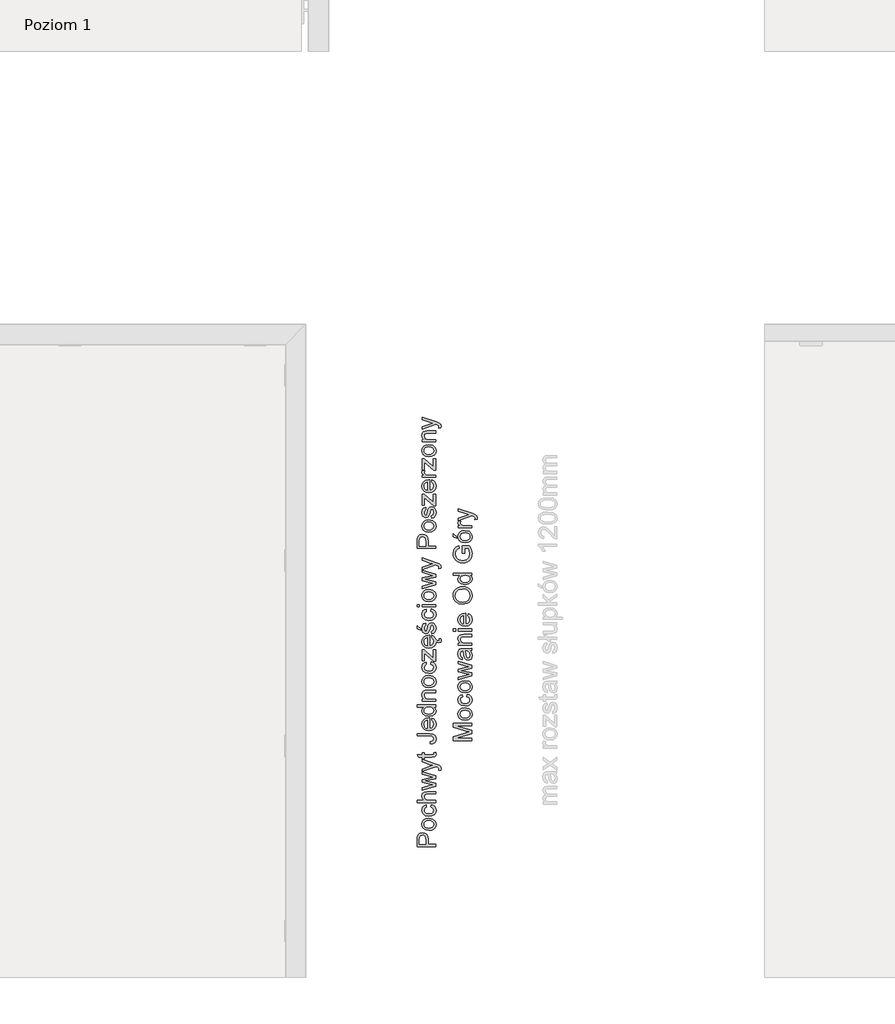
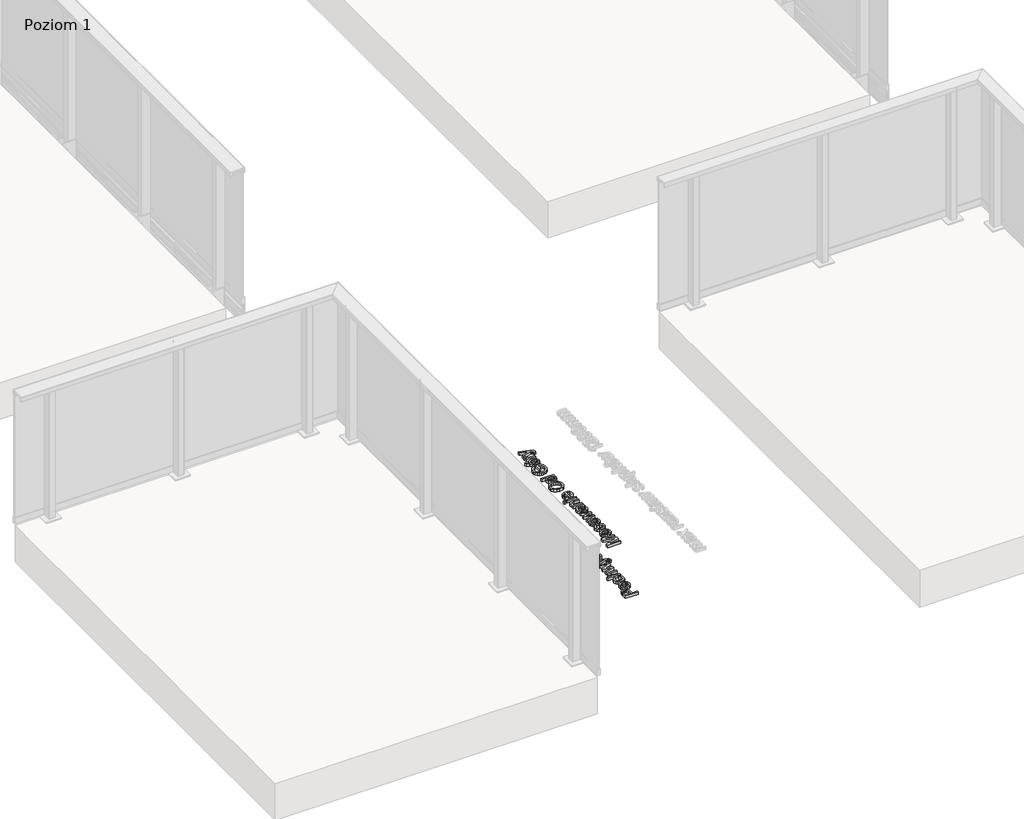
# One storey, part 9 of 35: 2 proxies.
"""IFC4 building model written with IfcOpenShell, lengths in millimetres."""

import ifcopenshell
import ifcopenshell.guid

model = None  # the IFC model being written
_history = None  # IfcOwnerHistory: only IFC2X3 demands one
_inside = {}  # id of a spatial element -> (the spatial element, [elements in it])
_under = {}  # id of a project, library or spatial element -> (it, [spatial elements below it])
_declared = {}  # id of a project -> (the project, [libraries it declares])
_typed = {}  # id of a type object -> (the type object, [elements of that type])
_made_of = {}  # id of a material, layer set ... -> (it, [elements and type objects made of it])


def new_model(schema):
    """Start an empty IFC model of exactly this schema.

    Asked for "IFC4X3", IfcOpenShell would pick the latest addendum, in which some entities
    have other attributes; the version numbers below select the first issue.
    IFC2X3 requires an IfcOwnerHistory on every rooted entity: one is made here for all.
    """
    global model, _history
    if schema == "IFC4X3":
        model = ifcopenshell.file(schema_version=(4, 3, 0, 0))
    else:
        model = ifcopenshell.file(schema=schema)
    _inside.clear()
    _under.clear()
    _declared.clear()
    _typed.clear()
    _made_of.clear()
    _history = None
    if model.schema == "IFC2X3":
        org = make("IfcOrganization", Name="unknown")
        user = make(
            "IfcPersonAndOrganization",
            ThePerson=make("IfcPerson", FamilyName="unknown"),
            TheOrganization=org,
        )
        app = make(
            "IfcApplication",
            ApplicationDeveloper=org,
            Version="unknown",
            ApplicationFullName="unknown",
            ApplicationIdentifier="unknown",
        )
        _history = make(
            "IfcOwnerHistory",
            OwningUser=user,
            OwningApplication=app,
            ChangeAction="ADDED",
            CreationDate=0,
        )
    return model


def make(cls, **values):
    """One entity of the class cls with the attributes given. An attribute that is None is left unset."""
    return model.create_entity(
        cls, **{name: value for name, value in values.items() if value is not None}
    )


def rooted(cls, **values):
    """An entity with a GlobalId (a new one), such as an element, a storey or a relation."""
    return make(cls, GlobalId=ifcopenshell.guid.new(), OwnerHistory=_history, **values)


def si_unit(unit_type, name, prefix=None):
    """IfcSIUnit, for example si_unit("LENGTHUNIT", "METRE", prefix="MILLI")."""
    return make("IfcSIUnit", UnitType=unit_type, Prefix=prefix, Name=name)


def assignment(units):
    """IfcUnitAssignment: the units of a project."""
    return None if units is None else make("IfcUnitAssignment", Units=units)


def point(xyz):
    """IfcCartesianPoint."""
    return None if xyz is None else make("IfcCartesianPoint", Coordinates=xyz)


def direction(xyz):
    """IfcDirection."""
    return None if xyz is None else make("IfcDirection", DirectionRatios=xyz)


def frame(location, z_axis=None, x_axis=None):
    """IfcAxis2Placement3D, a coordinate frame: its origin and axes. An axis left out is left unset."""
    return make(
        "IfcAxis2Placement3D",
        Location=point(location),
        Axis=direction(z_axis),
        RefDirection=direction(x_axis),
    )


def origin():
    """The frame at (0, 0, 0) with its axes left unset."""
    return frame((0.0, 0.0, 0.0))


def origin_with_axes():
    """The frame at (0, 0, 0) with the z axis (0, 0, 1) and the x axis (1, 0, 0) written out."""
    return frame((0.0, 0.0, 0.0), z_axis=(0.0, 0.0, 1.0), x_axis=(1.0, 0.0, 0.0))


def place(relative_to, where):
    """IfcLocalPlacement: puts the frame where relative to a parent placement (None: the world)."""
    return make(
        "IfcLocalPlacement", PlacementRelTo=relative_to, RelativePlacement=where
    )


def context(
    kind, dimensions, precision=None, world=None, true_north=None, identifier=None
):
    """IfcGeometricRepresentationContext, for example the 3D "Model" context."""
    return make(
        "IfcGeometricRepresentationContext",
        ContextIdentifier=identifier,
        ContextType=kind,
        CoordinateSpaceDimension=dimensions,
        Precision=precision,
        WorldCoordinateSystem=world,
        TrueNorth=true_north,
    )


def project(units=None, contexts=None):
    """IfcProject with its units and contexts."""
    return rooted(
        "IfcProject",
        Name="project",
        RepresentationContexts=contexts,
        UnitsInContext=assignment(units),
    )


def spatial(cls, under=None, at=None, **own):
    """A site, building, storey or space (cls), placed at a placement, below another one or the project."""
    s = rooted(cls, ObjectPlacement=at, **own)
    if under is not None:
        _under.setdefault(under.id(), (under, []))[1].append(s)
    return s


def polyline(points):
    """IfcPolyline through the points."""
    return make("IfcPolyline", Points=[point(p) for p in points])


def outline(outer, holes=None, kind="AREA"):
    """IfcArbitraryClosedProfileDef: a profile drawn as a closed curve; with holes, ...WithVoids."""
    if holes is None:
        return make("IfcArbitraryClosedProfileDef", ProfileType=kind, OuterCurve=outer)
    return make(
        "IfcArbitraryProfileDefWithVoids",
        ProfileType=kind,
        OuterCurve=outer,
        InnerCurves=holes,
    )


def extrude(swept, where, along, depth):
    """IfcExtrudedAreaSolid: the profile swept, set in the frame where, extruded along a direction by depth."""
    return make(
        "IfcExtrudedAreaSolid",
        SweptArea=swept,
        Position=where,
        ExtrudedDirection=direction(along),
        Depth=depth,
    )


def shape(context_of_items, identifier, shape_type, items):
    """IfcShapeRepresentation: the items that make up one representation, for example the "Body"."""
    return make(
        "IfcShapeRepresentation",
        ContextOfItems=context_of_items,
        RepresentationIdentifier=identifier,
        RepresentationType=shape_type,
        Items=items,
    )


def made_of(thing, what):
    """Note that an element or type object is made of a material, layer set ...; save() writes the relation."""
    if what is not None:
        _made_of.setdefault(what.id(), (what, []))[1].append(thing)
    return thing


def element(
    cls,
    number,
    at=None,
    inside=None,
    cuts=None,
    type_object=None,
    material=None,
    context=None,
    identifier="Body",
    shape_type=None,
    held_by="IfcProductDefinitionShape",
    body=None,
    shapes=None,
    **own,
):
    """One element of the class cls, such as IfcWall. Its Tag is "e" and its number.

    at: its placement. inside: the storey or other place that contains it. cuts: it is an
    opening in that element (IfcRelVoidsElement). A single representation is given by context,
    identifier, shape_type and body (its items); several are given by shapes. held_by: the class
    of the entity that holds the representations. save() writes the other relations.
    """
    e = rooted(cls, Tag="e%d" % number, ObjectPlacement=at, **own)
    if body is not None:
        shapes = [shape(context, identifier, shape_type, body)]
    if shapes is not None:
        e.Representation = make(held_by, Representations=shapes)
    if inside is not None:
        _inside.setdefault(inside.id(), (inside, []))[1].append(e)
    if cuts is not None:
        rooted(
            "IfcRelVoidsElement", RelatingBuildingElement=cuts, RelatedOpeningElement=e
        )
    if type_object is not None:
        _typed.setdefault(type_object.id(), (type_object, []))[1].append(e)
    return made_of(e, material)


def aggregate(whole, parts):
    """IfcRelAggregates: a whole, such as a stair, and the parts it consists of."""
    return rooted("IfcRelAggregates", RelatingObject=whole, RelatedObjects=parts)


def save(model, path):
    """Write the relations noted so far, then the file.

    IfcRelAggregates (storeys below a building ...), IfcRelContainedInSpatialStructure (elements
    in a storey), IfcRelDefinesByType, IfcRelAssociatesMaterial and IfcRelDeclares: one each for
    every whole, place, type object, material and project.
    """
    for whole, parts in _under.values():
        aggregate(whole, parts)
    for where, things in _inside.values():
        rooted(
            "IfcRelContainedInSpatialStructure",
            RelatedElements=things,
            RelatingStructure=where,
        )
    for kind, things in _typed.values():
        rooted("IfcRelDefinesByType", RelatedObjects=things, RelatingType=kind)
    for what, things in _made_of.values():
        rooted("IfcRelAssociatesMaterial", RelatedObjects=things, RelatingMaterial=what)
    for by, libraries in _declared.values():
        rooted("IfcRelDeclares", RelatingContext=by, RelatedDefinitions=libraries)
    model.write(path)


model = new_model("IFC4")

# Units and contexts
model_context = context("Model", 3, world=origin())
ifc_project = project(units=[si_unit("LENGTHUNIT", "METRE", prefix="MILLI")], contexts=[model_context])

# Site, building, storey
site = spatial("IfcSite", under=ifc_project)
building = spatial("IfcBuilding", under=site)
storey = spatial("IfcBuildingStorey", under=building, Name="Poziom 1", Elevation=0.0)

# Proxies
placement = place(None, origin())
element("IfcBuildingElementProxy", 1, Name="Generic Models", at=placement, inside=storey, context=model_context, shape_type="SweptSolid", body=[
    extrude(outline(polyline([(5115.5993765, -13924.2653868), (5015.1430664, -13924.2653868), (5015.1430664, -13887.0357289), (5016.0995596, -13872.0261435), (5020.7961864, -13859.8247239), (5030.508271, -13851.9152611), (5044.205744, -13848.9231542), (5056.0454129, -13850.9434394), (5065.9107817, -13857.0042953), (5072.5694458, -13868.3381265), (5074.7890005, -13886.1773375), (5074.7890005, -13911.708348), (5115.5993765, -13911.708348), (5115.5993765, -13924.2653868)]), holes=[polyline([(5062.2319618, -13911.708348), (5062.2319618, -13885.4415735), (5057.6211741, -13866.9493719), (5052.0722873, -13862.8474877), (5044.6472024, -13861.4801929), (5034.2484047, -13864.7052918), (5028.5584965, -13873.1788404), (5027.7001052, -13885.7358791), (5027.7001052, -13911.708348), (5062.2319618, -13911.708348)])]), origin_with_axes(), (0.0, 0.0, 1.0), 20.0),
    extrude(outline(polyline([(5078.7130752, -13836.3661154), (5060.9259807, -13833.64992), (5048.4241242, -13825.5013338), (5042.298889, -13815.4336299), (5040.2571439, -13803.3793632), (5042.7434131, -13790.1877279), (5050.2022205, -13779.6509745), (5062.0449551, -13772.74399), (5077.6830056, -13770.4416619), (5100.0257054, -13774.5128893), (5112.6685833, -13786.3709522), (5117.1690064, -13803.3793632), (5114.6919343, -13816.7304139), (5107.260718, -13827.2549046), (5095.1696631, -13834.0883127), (5078.7130752, -13836.3661154)]), holes=[polyline([(5078.6885497, -13823.8090766), (5090.0530377, -13822.3559427), (5098.1495072, -13817.9965411), (5102.9963525, -13811.4359789), (5104.6119676, -13803.3793632), (5102.9871555, -13795.3595357), (5098.112719, -13788.8112361), (5089.9089505, -13784.4518345), (5078.2961422, -13782.9987006), (5067.2627481, -13784.4610316), (5059.2766431, -13788.8480243), (5054.4297978, -13795.4055209), (5052.8141827, -13803.3793632), (5054.4236664, -13811.4359789), (5059.2521176, -13817.9965411), (5067.3301931, -13822.3559427), (5078.6885497, -13823.8090766)])]), origin_with_axes(), (0.0, 0.0, 1.0), 20.0),
    extrude(outline(polyline([(5088.9156692, -13709.2260979), (5090.485299, -13696.6690591), (5101.6535832, -13700.1700694), (5110.0934093, -13706.7490258), (5115.4001071, -13715.7866601), (5117.1690064, -13726.6637044), (5114.7011313, -13740.0208865), (5107.2975062, -13750.4656695), (5095.2830934, -13757.2071071), (5078.9828553, -13759.4542529), (5058.1239462, -13755.6160174), (5044.7207788, -13743.91737), (5040.2571439, -13726.8353827), (5041.7899856, -13716.2250528), (5046.3885105, -13707.7423071), (5053.8074641, -13701.6569258), (5063.8015916, -13698.2386889), (5065.3712215, -13710.7957277), (5055.9657051, -13716.620526), (5052.8141827, -13726.7372808), (5054.3654184, -13734.8521445), (5059.0191257, -13741.2931451), (5067.0266904, -13745.4961969), (5078.6394988, -13746.8972142), (5090.4086569, -13745.5268537), (5098.4438128, -13741.4157724), (5103.0699289, -13735.0912678), (5104.6119676, -13727.0806374), (5100.7614694, -13715.2470998), (5088.9156692, -13709.2260979)])), origin_with_axes(), (0.0, 0.0, 1.0), 20.0),
    extrude(outline(polyline([(5115.5993765, -13685.6816502), (5015.1430664, -13685.6816502), (5015.1430664, -13673.1246114), (5052.0784187, -13673.1246114), (5043.2124626, -13663.332819), (5040.2571439, -13651.2724209), (5043.4822427, -13637.1702777), (5052.3972498, -13628.61089), (5068.9028886, -13626.035716), (5115.5993765, -13626.035716), (5115.5993765, -13638.5927548), (5070.2027383, -13638.5927548), (5056.9589865, -13642.5904058), (5052.8141827, -13653.9211712), (5055.6100859, -13664.2096044), (5063.188455, -13671.076735), (5076.4076813, -13673.1246114), (5115.5993765, -13673.1246114), (5115.5993765, -13685.6816502)])), origin_with_axes(), (0.0, 0.0, 1.0), 20.0),
    extrude(outline(polyline([(5115.5993765, -13596.53158), (5041.8267738, -13618.9723817), (5041.8267738, -13605.9248336), (5084.8689672, -13593.1961166), (5100.2464346, -13589.3946693), (5085.4330529, -13586.2799351), (5041.8267738, -13576.1509175), (5041.8267738, -13561.190383), (5085.3104256, -13551.1104163), (5098.7258557, -13548.3390386), (5084.5746616, -13544.3659131), (5041.8267738, -13531.6126706), (5041.8267738, -13518.5160716), (5115.5993765, -13541.1285515), (5115.5993765, -13556.3098152), (5072.3364539, -13565.9483235), (5058.8474474, -13568.7442266), (5115.5993765, -13581.1786381), (5115.5993765, -13596.53158)])), origin_with_axes(), (0.0, 0.0, 1.0), 20.0),
    extrude(outline(polyline([(5143.8527138, -13509.8831074), (5131.7616589, -13511.4527372), (5132.8653048, -13505.076116), (5131.479616, -13499.1164277), (5127.616855, -13495.4621332), (5118.3707542, -13492.0285679), (5115.3295964, -13491.0475493), (5041.8267738, -13517.7312566), (5041.8267738, -13504.4875048), (5082.7843026, -13490.3363107), (5099.1673141, -13485.406692), (5084.6972889, -13480.4770733), (5041.8267738, -13465.9334717), (5041.8267738, -13452.7878218), (5117.3652101, -13478.465985), (5133.7482216, -13485.1369119), (5142.601915, -13492.4209754), (5145.4223436, -13502.2066364), (5143.8527138, -13509.8831074)])), origin_with_axes(), (0.0, 0.0, 1.0), 20.0),
    extrude(outline(polyline([(5105.1270024, -13415.7053166), (5115.9672585, -13414.1356868), (5117.1690064, -13423.5289404), (5115.0843417, -13434.0503655), (5109.6151627, -13439.2988153), (5095.3658668, -13440.8193942), (5054.3838125, -13440.8193942), (5054.3838125, -13450.2371733), (5041.8267738, -13450.2371733), (5041.8267738, -13440.8193942), (5023.8986579, -13440.8193942), (5016.5164925, -13428.2623554), (5041.8267738, -13428.2623554), (5041.8267738, -13415.7053166), (5054.3838125, -13415.7053166), (5054.3838125, -13428.2623554), (5094.9979848, -13428.2623554), (5101.4727079, -13427.6001678), (5103.765839, -13425.4541895), (5104.6119676, -13421.1744956), (5105.1270024, -13415.7053166)])), origin_with_axes(), (0.0, 0.0, 1.0), 20.0),
    extrude(outline(polyline([(5087.3950902, -13368.6164213), (5085.7764095, -13356.0593825), (5100.6143166, -13351.7674259), (5104.6119676, -13341.1724244), (5102.343362, -13332.5762485), (5096.1629445, -13327.5975788), (5083.7162703, -13326.2364154), (5015.1430664, -13326.2364154), (5015.1430664, -13313.6793766), (5083.4955411, -13313.6793766), (5103.0055496, -13316.7082717), (5113.5392374, -13326.3222545), (5117.1690064, -13341.7610356), (5115.2958739, -13353.3677126), (5109.6764764, -13361.8964435), (5100.3598649, -13367.0713169), (5087.3950902, -13368.6164213)])), origin_with_axes(), (0.0, 0.0, 1.0), 20.0),
    extrude(outline(polyline([(5093.6245587, -13241.6235565), (5095.1941885, -13229.3117724), (5104.4709462, -13233.7478161), (5111.4055218, -13240.8264789), (5115.7281352, -13250.3883451), (5117.1690064, -13262.2739992), (5114.6827372, -13277.0076731), (5107.2239298, -13288.3445699), (5095.276962, -13295.5734511), (5079.3262118, -13297.9830782), (5062.8389671, -13295.5489256), (5050.5087889, -13288.246468), (5042.8200552, -13277.0628554), (5040.2571439, -13262.9852377), (5042.8139238, -13249.3460127), (5050.4842634, -13238.4475086), (5062.7899161, -13231.3014009), (5079.2526354, -13228.919365), (5082.6371498, -13228.9929414), (5082.6371498, -13285.4260394), (5092.0365347, -13283.25247), (5098.9465849, -13278.2032896), (5103.1956219, -13270.9161604), (5104.6119676, -13262.0287445), (5101.9877427, -13249.7169604), (5093.6245587, -13241.6235565)]), holes=[polyline([(5070.080111, -13285.4260394), (5070.080111, -13241.4764037), (5058.7002946, -13246.5041243), (5054.2857107, -13253.824976), (5052.8141827, -13263.0342886), (5057.5108095, -13278.4975952), (5063.0014483, -13283.3628346), (5070.080111, -13285.4260394)])]), origin_with_axes(), (0.0, 0.0, 1.0), 20.0),
    extrude(outline(polyline([(5115.5993765, -13170.8430606), (5103.7535763, -13170.8430606), (5113.8151489, -13179.1510624), (5117.1690064, -13190.635112), (5112.312964, -13206.1842577), (5098.7626439, -13217.1716666), (5078.7866516, -13221.0712157), (5058.7983965, -13217.4782349), (5045.0396099, -13206.7115552), (5040.2571439, -13190.6841629), (5043.6784465, -13179.1081428), (5052.568928, -13170.8430606), (5015.1430664, -13170.8430606), (5015.1430664, -13158.2860219), (5115.5993765, -13158.2860219), (5115.5993765, -13170.8430606)]), holes=[polyline([(5078.7376006, -13208.514177), (5090.0959572, -13207.0978313), (5098.1740327, -13202.8487942), (5103.0024839, -13196.6745081), (5104.6119676, -13189.4824151), (5103.0760603, -13182.2933877), (5098.4683383, -13176.2754514), (5090.7029625, -13172.2011583), (5079.6940938, -13170.8430606), (5067.6582212, -13172.2256838), (5059.3134313, -13176.3735533), (5054.4389948, -13182.5447738), (5052.8141827, -13189.9974499), (5054.3746155, -13197.2631193), (5059.0559139, -13203.2166762), (5067.0972012, -13207.1898018), (5078.7376006, -13208.514177)])]), origin_with_axes(), (0.0, 0.0, 1.0), 20.0),
    extrude(outline(polyline([(5115.5993765, -13139.4504637), (5041.8267738, -13139.4504637), (5041.8267738, -13126.893425), (5052.1274696, -13126.893425), (5043.2247253, -13117.2917049), (5040.2571439, -13104.1828431), (5042.6483769, -13092.3247801), (5048.9268963, -13084.2313763), (5058.1607344, -13080.4667172), (5070.3008402, -13079.8045296), (5115.5993765, -13079.8045296), (5115.5993765, -13092.3615683), (5071.9930974, -13092.3615683), (5060.8830611, -13093.8085709), (5055.0092119, -13098.9221306), (5052.8141827, -13107.542832), (5057.7438014, -13121.1667286), (5064.8868435, -13125.4617509), (5076.4567322, -13126.893425), (5115.5993765, -13126.893425), (5115.5993765, -13139.4504637)])), origin_with_axes(), (0.0, 0.0, 1.0), 20.0),
    extrude(outline(polyline([(5078.7130752, -13065.677861), (5060.9259807, -13062.9616656), (5048.4241242, -13054.8130794), (5042.298889, -13044.7453754), (5040.2571439, -13032.6911087), (5042.7434131, -13019.4994735), (5050.2022205, -13008.96272), (5062.0449551, -13002.0557356), (5077.6830056, -12999.7534074), (5100.0257054, -13003.8246348), (5112.6685833, -13015.6826978), (5117.1690064, -13032.6911087), (5114.6919343, -13046.0421595), (5107.260718, -13056.5666502), (5095.1696631, -13063.4000583), (5078.7130752, -13065.677861)]), holes=[polyline([(5078.6885497, -13053.1208222), (5090.0530377, -13051.6676883), (5098.1495072, -13047.3082867), (5102.9963525, -13040.7477244), (5104.6119676, -13032.6911087), (5102.9871555, -13024.6712812), (5098.112719, -13018.1229817), (5089.9089505, -13013.7635801), (5078.2961422, -13012.3104462), (5067.2627481, -13013.7727771), (5059.2766431, -13018.1597699), (5054.4297978, -13024.7172665), (5052.8141827, -13032.6911087), (5054.4236664, -13040.7477244), (5059.2521176, -13047.3082867), (5067.3301931, -13051.6676883), (5078.6885497, -13053.1208222)])]), origin_with_axes(), (0.0, 0.0, 1.0), 20.0),
    extrude(outline(polyline([(5088.9156692, -12938.5378434), (5090.485299, -12925.9808047), (5101.6535832, -12929.481815), (5110.0934093, -12936.0607713), (5115.4001071, -12945.0984057), (5117.1690064, -12955.97545), (5114.7011313, -12969.3326321), (5107.2975062, -12979.7774151), (5095.2830934, -12986.5188526), (5078.9828553, -12988.7659985), (5058.1239462, -12984.927763), (5044.7207788, -12973.2291156), (5040.2571439, -12956.1471283), (5041.7899856, -12945.5367984), (5046.3885105, -12937.0540527), (5053.8074641, -12930.9686714), (5063.8015916, -12927.5504345), (5065.3712215, -12940.1074733), (5055.9657051, -12945.9322715), (5052.8141827, -12956.0490264), (5054.3654184, -12964.1638901), (5059.0191257, -12970.6048907), (5067.0266904, -12974.8079425), (5078.6394988, -12976.2089597), (5090.4086569, -12974.8385993), (5098.4438128, -12970.727518), (5103.0699289, -12964.4030134), (5104.6119676, -12956.3923829), (5100.7614694, -12944.5588454), (5088.9156692, -12938.5378434)])), origin_with_axes(), (0.0, 0.0, 1.0), 20.0),
    extrude(outline(polyline([(5115.5993765, -12922.841545), (5103.7781018, -12922.841545), (5054.3838125, -12879.5050459), (5054.3838125, -12892.3318648), (5054.3838125, -12919.7022853), (5041.8267738, -12919.7022853), (5041.8267738, -12861.625981), (5052.4953516, -12861.625981), (5096.32236, -12900.0573867), (5103.0423378, -12905.9434987), (5103.0423378, -12891.4244226), (5103.0423378, -12860.0563511), (5115.5993765, -12860.0563511), (5115.5993765, -12922.841545)])), origin_with_axes(), (0.0, 0.0, 1.0), 20.0),
    extrude(outline(polyline([(5093.6245587, -12795.8486802), (5095.1941885, -12783.5368961), (5104.4709462, -12787.9729399), (5111.4055218, -12795.0516026), (5115.768218, -12804.9441093), (5121.6694295, -12810.8214774), (5128.9902812, -12812.9674557), (5133.9689508, -12811.4346141), (5136.0045645, -12806.4682072), (5135.5631061, -12803.3289475), (5134.3858838, -12800.410417), (5143.0433734, -12800.410417), (5145.4223436, -12809.2150594), (5144.4167995, -12814.9908067), (5141.6454218, -12819.1110851), (5137.5864571, -12821.5758944), (5132.6691011, -12822.3852348), (5123.7540941, -12819.9326882), (5116.8755159, -12814.078139), (5117.1690064, -12816.4991229), (5114.6827372, -12831.2327968), (5107.2239298, -12842.5696936), (5095.276962, -12849.7985748), (5079.3262118, -12852.2082019), (5062.8389671, -12849.7740494), (5050.5087889, -12842.4715918), (5042.8200552, -12831.2879791), (5040.2571439, -12817.2103614), (5042.8139238, -12803.5711364), (5050.4842634, -12792.6726323), (5062.7899161, -12785.5265246), (5079.2526354, -12783.1444887), (5082.6371498, -12783.2180651), (5082.6371498, -12839.6511631), (5092.0365347, -12837.4775937), (5098.9465849, -12832.4284133), (5103.1956219, -12825.1412841), (5104.6119676, -12816.2538682), (5101.9877427, -12803.9420841), (5093.6245587, -12795.8486802)]), holes=[polyline([(5070.080111, -12839.6511631), (5070.080111, -12795.7015274), (5058.7002946, -12800.729248), (5054.2857107, -12808.0500997), (5052.8141827, -12817.2594124), (5057.5108095, -12832.7227189), (5063.0014483, -12837.5879583), (5070.080111, -12839.6511631)])]), origin_with_axes(), (0.0, 0.0, 1.0), 20.0),
    extrude(outline(polyline([(5093.6245587, -12775.2963394), (5092.0549288, -12762.7393007), (5101.3746061, -12756.9267651), (5104.6119676, -12743.6094369), (5101.6443862, -12730.8071435), (5094.6791537, -12726.6378142), (5089.0382965, -12730.831669), (5085.4575784, -12743.7565897), (5079.3139491, -12762.6657243), (5072.1402502, -12770.9185437), (5062.0112326, -12773.7267096), (5052.6547672, -12771.4703667), (5045.5055937, -12765.3144746), (5041.7899856, -12757.3314353), (5040.2571439, -12746.5279674), (5042.7219533, -12731.2486019), (5049.3928801, -12721.5365172), (5060.6623319, -12717.2200351), (5062.2319618, -12729.7770739), (5055.3035175, -12734.4982262), (5052.8141827, -12745.5469488), (5055.1931529, -12757.5644273), (5060.7359083, -12761.1696708), (5064.3902028, -12759.6736174), (5067.1615805, -12754.9892533), (5069.8348563, -12744.1735226), (5075.7454937, -12725.7426347), (5082.440946, -12717.1832469), (5093.3547786, -12714.0807754), (5105.3722571, -12717.7228072), (5114.0910604, -12728.2319695), (5117.1690064, -12743.7811152), (5115.6852157, -12756.4423872), (5111.2338435, -12765.6823566), (5103.8639409, -12771.8505114), (5093.6245587, -12775.2963394)])), origin_with_axes(), (0.0, 0.0, 1.0), 20.0),
    extrude(outline(polyline([(5033.9786245, -12756.4607813), (5015.1430664, -12747.0430022), (5015.1430664, -12731.3467037), (5033.9786245, -12747.0430022), (5033.9786245, -12756.4607813)])), origin_with_axes(), (0.0, 0.0, 1.0), 20.0),
    extrude(outline(polyline([(5088.9156692, -12652.8652114), (5090.485299, -12640.3081727), (5101.6535832, -12643.809183), (5110.0934093, -12650.3881393), (5115.4001071, -12659.4257737), (5117.1690064, -12670.302818), (5114.7011313, -12683.6600001), (5107.2975062, -12694.1047831), (5095.2830934, -12700.8462207), (5078.9828553, -12703.0933665), (5058.1239462, -12699.255131), (5044.7207788, -12687.5564836), (5040.2571439, -12670.4744963), (5041.7899856, -12659.8641664), (5046.3885105, -12651.3814207), (5053.8074641, -12645.2960394), (5063.8015916, -12641.8778025), (5065.3712215, -12654.4348413), (5055.9657051, -12660.2596395), (5052.8141827, -12670.3763944), (5054.3654184, -12678.4912581), (5059.0191257, -12684.9322587), (5067.0266904, -12689.1353105), (5078.6394988, -12690.5363277), (5090.4086569, -12689.1659673), (5098.4438128, -12685.054886), (5103.0699289, -12678.7303814), (5104.6119676, -12670.7197509), (5100.7614694, -12658.8862134), (5088.9156692, -12652.8652114)])), origin_with_axes(), (0.0, 0.0, 1.0), 20.0),
    extrude(outline(polyline([(5027.7001052, -12629.3207637), (5015.1430664, -12629.3207637), (5015.1430664, -12616.763725), (5027.7001052, -12616.763725), (5027.7001052, -12629.3207637)])), origin_with_axes(), (0.0, 0.0, 1.0), 20.0),
    extrude(outline(polyline([(5115.5993765, -12629.3207637), (5041.8267738, -12629.3207637), (5041.8267738, -12616.763725), (5115.5993765, -12616.763725), (5115.5993765, -12629.3207637)])), origin_with_axes(), (0.0, 0.0, 1.0), 20.0),
    extrude(outline(polyline([(5078.7130752, -12601.0674265), (5060.9259807, -12598.3512311), (5048.4241242, -12590.2026449), (5042.298889, -12580.134941), (5040.2571439, -12568.0806743), (5042.7434131, -12554.8890391), (5050.2022205, -12544.3522856), (5062.0449551, -12537.4453011), (5077.6830056, -12535.142973), (5100.0257054, -12539.2142004), (5112.6685833, -12551.0722634), (5117.1690064, -12568.0806743), (5114.6919343, -12581.431725), (5107.260718, -12591.9562158), (5095.1696631, -12598.7896238), (5078.7130752, -12601.0674265)]), holes=[polyline([(5078.6885497, -12588.5103878), (5090.0530377, -12587.0572539), (5098.1495072, -12582.6978522), (5102.9963525, -12576.13729), (5104.6119676, -12568.0806743), (5102.9871555, -12560.0608468), (5098.112719, -12553.5125473), (5089.9089505, -12549.1531456), (5078.2961422, -12547.7000118), (5067.2627481, -12549.1623427), (5059.2766431, -12553.5493355), (5054.4297978, -12560.106832), (5052.8141827, -12568.0806743), (5054.4236664, -12576.13729), (5059.2521176, -12582.6978522), (5067.3301931, -12587.0572539), (5078.6885497, -12588.5103878)])]), origin_with_axes(), (0.0, 0.0, 1.0), 20.0),
    extrude(outline(polyline([(5115.5993765, -12508.7780967), (5041.8267738, -12531.2188984), (5041.8267738, -12518.1713503), (5084.8689672, -12505.4426332), (5100.2464346, -12501.641186), (5085.4330529, -12498.5264517), (5041.8267738, -12488.3974341), (5041.8267738, -12473.4368997), (5085.3104256, -12463.356933), (5098.7258557, -12460.5855553), (5084.5746616, -12456.6124297), (5041.8267738, -12443.8591872), (5041.8267738, -12430.7625882), (5115.5993765, -12453.3750682), (5115.5993765, -12468.5563319), (5072.3364539, -12478.1948401), (5058.8474474, -12480.9907433), (5115.5993765, -12493.4251547), (5115.5993765, -12508.7780967)])), origin_with_axes(), (0.0, 0.0, 1.0), 20.0),
    extrude(outline(polyline([(5143.8527138, -12422.1296241), (5131.7616589, -12423.6992539), (5132.8653048, -12417.3226327), (5131.479616, -12411.3629443), (5127.616855, -12407.7086499), (5118.3707542, -12404.2750846), (5115.3295964, -12403.2940659), (5041.8267738, -12429.9777733), (5041.8267738, -12416.7340215), (5082.7843026, -12402.5828274), (5099.1673141, -12397.6532087), (5084.6972889, -12392.7235899), (5041.8267738, -12378.1799884), (5041.8267738, -12365.0343384), (5117.3652101, -12390.7125017), (5133.7482216, -12397.3834285), (5142.601915, -12404.667492), (5145.4223436, -12414.4531531), (5143.8527138, -12422.1296241)])), origin_with_axes(), (0.0, 0.0, 1.0), 20.0),
    extrude(outline(polyline([(5115.5993765, -12313.8251647), (5015.1430664, -12313.8251647), (5015.1430664, -12276.5955068), (5016.0995596, -12261.5859214), (5020.7961864, -12249.3845019), (5030.508271, -12241.475039), (5044.205744, -12238.4829321), (5056.0454129, -12240.5032174), (5065.9107817, -12246.5640732), (5072.5694458, -12257.8979044), (5074.7890005, -12275.7371155), (5074.7890005, -12301.2681259), (5115.5993765, -12301.2681259), (5115.5993765, -12313.8251647)]), holes=[polyline([(5062.2319618, -12301.2681259), (5062.2319618, -12275.0013515), (5057.6211741, -12256.5091498), (5052.0722873, -12252.4072656), (5044.6472024, -12251.0399708), (5034.2484047, -12254.2650697), (5028.5584965, -12262.7386183), (5027.7001052, -12275.2956571), (5027.7001052, -12301.2681259), (5062.2319618, -12301.2681259)])]), origin_with_axes(), (0.0, 0.0, 1.0), 20.0),
    extrude(outline(polyline([(5078.7130752, -12225.9258933), (5060.9259807, -12223.2096979), (5048.4241242, -12215.0611117), (5042.298889, -12204.9934078), (5040.2571439, -12192.9391411), (5042.7434131, -12179.7475059), (5050.2022205, -12169.2107524), (5062.0449551, -12162.3037679), (5077.6830056, -12160.0014398), (5100.0257054, -12164.0726672), (5112.6685833, -12175.9307302), (5117.1690064, -12192.9391411), (5114.6919343, -12206.2901918), (5107.260718, -12216.8146826), (5095.1696631, -12223.6480906), (5078.7130752, -12225.9258933)]), holes=[polyline([(5078.6885497, -12213.3688545), (5090.0530377, -12211.9157207), (5098.1495072, -12207.556319), (5102.9963525, -12200.9957568), (5104.6119676, -12192.9391411), (5102.9871555, -12184.9193136), (5098.112719, -12178.3710141), (5089.9089505, -12174.0116124), (5078.2961422, -12172.5584785), (5067.2627481, -12174.0208095), (5059.2766431, -12178.4078023), (5054.4297978, -12184.9652988), (5052.8141827, -12192.9391411), (5054.4236664, -12200.9957568), (5059.2521176, -12207.556319), (5067.3301931, -12211.9157207), (5078.6885497, -12213.3688545)])]), origin_with_axes(), (0.0, 0.0, 1.0), 20.0),
    extrude(outline(polyline([(5093.6245587, -12150.5836607), (5092.0549288, -12138.0266219), (5101.3746061, -12132.2140864), (5104.6119676, -12118.8967582), (5101.6443862, -12106.0944647), (5094.6791537, -12101.9251355), (5089.0382965, -12106.1189902), (5085.4575784, -12119.043911), (5079.3139491, -12137.9530455), (5072.1402502, -12146.2058649), (5062.0112326, -12149.0140308), (5052.6547672, -12146.7576879), (5045.5055937, -12140.6017959), (5041.7899856, -12132.6187566), (5040.2571439, -12121.8152887), (5042.7219533, -12106.5359231), (5049.3928801, -12096.8238385), (5060.6623319, -12092.5073564), (5062.2319618, -12105.0643952), (5055.3035175, -12109.7855474), (5052.8141827, -12120.83427), (5055.1931529, -12132.8517485), (5060.7359083, -12136.4569921), (5064.3902028, -12134.9609386), (5067.1615805, -12130.2765746), (5069.8348563, -12119.4608439), (5075.7454937, -12101.0299559), (5082.440946, -12092.4705682), (5093.3547786, -12089.3680967), (5105.3722571, -12093.0101284), (5114.0910604, -12103.5192908), (5117.1690064, -12119.0684364), (5115.6852157, -12131.7297084), (5111.2338435, -12140.9696779), (5103.8639409, -12147.1378327), (5093.6245587, -12150.5836607)])), origin_with_axes(), (0.0, 0.0, 1.0), 20.0),
    extrude(outline(polyline([(5115.5993765, -12083.0895773), (5103.7781018, -12083.0895773), (5054.3838125, -12039.7530783), (5054.3838125, -12052.5798972), (5054.3838125, -12079.9503176), (5041.8267738, -12079.9503176), (5041.8267738, -12021.8740133), (5052.4953516, -12021.8740133), (5096.32236, -12060.3054191), (5103.0423378, -12066.191531), (5103.0423378, -12051.6724549), (5103.0423378, -12020.3043835), (5115.5993765, -12020.3043835), (5115.5993765, -12083.0895773)])), origin_with_axes(), (0.0, 0.0, 1.0), 20.0),
    extrude(outline(polyline([(5093.6245587, -11956.0967126), (5095.1941885, -11943.7849285), (5104.4709462, -11948.2209722), (5111.4055218, -11955.2996349), (5115.7281352, -11964.8615011), (5117.1690064, -11976.7471552), (5114.6827372, -11991.4808291), (5107.2239298, -12002.817726), (5095.276962, -12010.0466072), (5079.3262118, -12012.4562342), (5062.8389671, -12010.0220817), (5050.5087889, -12002.7196241), (5042.8200552, -11991.5360114), (5040.2571439, -11977.4583938), (5042.8139238, -11963.8191688), (5050.4842634, -11952.9206647), (5062.7899161, -11945.7745569), (5079.2526354, -11943.392521), (5082.6371498, -11943.4660974), (5082.6371498, -11999.8991955), (5092.0365347, -11997.725626), (5098.9465849, -11992.6764456), (5103.1956219, -11985.3893164), (5104.6119676, -11976.5019006), (5101.9877427, -11964.1901165), (5093.6245587, -11956.0967126)]), holes=[polyline([(5070.080111, -11999.8991955), (5070.080111, -11955.9495598), (5058.7002946, -11960.9772804), (5054.2857107, -11968.2981321), (5052.8141827, -11977.5074447), (5057.5108095, -11992.9707512), (5063.0014483, -11997.8359906), (5070.080111, -11999.8991955)])]), origin_with_axes(), (0.0, 0.0, 1.0), 20.0),
    extrude(outline(polyline([(5115.5993765, -11891.5947361), (5103.7781018, -11891.5947361), (5054.3838125, -11848.2582371), (5054.3838125, -11861.085056), (5054.3838125, -11888.4554764), (5041.8267738, -11888.4554764), (5041.8267738, -11830.3791721), (5052.4953516, -11830.3791721), (5096.32236, -11868.8105779), (5103.0423378, -11874.6966898), (5103.0423378, -11860.1776137), (5103.0423378, -11828.8095422), (5115.5993765, -11828.8095422), (5115.5993765, -11891.5947361)])), origin_with_axes(), (0.0, 0.0, 1.0), 20.0),
    extrude(outline(polyline([(5115.5993765, -11930.8354822), (5041.8267738, -11930.8354822), (5041.8267738, -11919.8480733), (5052.7406063, -11919.8480733), (5042.6851651, -11912.048975), (5040.2571439, -11904.2008258), (5044.1321676, -11891.5947361), (5055.3893567, -11895.7885908), (5052.8141827, -11904.6177587), (5055.2912548, -11911.7178812), (5062.1583854, -11916.2428298), (5076.8246142, -11918.2784435), (5115.5993765, -11918.2784435), (5115.5993765, -11930.8354822)])), origin_with_axes(), (0.0, 0.0, 1.0), 20.0),
    extrude(outline(polyline([(5078.7130752, -11819.3917632), (5060.9259807, -11816.6755678), (5048.4241242, -11808.5269816), (5042.298889, -11798.4592776), (5040.2571439, -11786.4050109), (5042.7434131, -11773.2133757), (5050.2022205, -11762.6766222), (5062.0449551, -11755.7696378), (5077.6830056, -11753.4673096), (5100.0257054, -11757.538537), (5112.6685833, -11769.3966), (5117.1690064, -11786.4050109), (5114.6919343, -11799.7560617), (5107.260718, -11810.2805524), (5095.1696631, -11817.1139605), (5078.7130752, -11819.3917632)]), holes=[polyline([(5078.6885497, -11806.8347244), (5090.0530377, -11805.3815905), (5098.1495072, -11801.0221889), (5102.9963525, -11794.4616266), (5104.6119676, -11786.4050109), (5102.9871555, -11778.3851834), (5098.112719, -11771.8368839), (5089.9089505, -11767.4774823), (5078.2961422, -11766.0243484), (5067.2627481, -11767.4866793), (5059.2766431, -11771.8736721), (5054.4297978, -11778.4311687), (5052.8141827, -11786.4050109), (5054.4236664, -11794.4616266), (5059.2521176, -11801.0221889), (5067.3301931, -11805.3815905), (5078.6885497, -11806.8347244)])]), origin_with_axes(), (0.0, 0.0, 1.0), 20.0),
    extrude(outline(polyline([(5115.5993765, -11739.340641), (5041.8267738, -11739.340641), (5041.8267738, -11726.7836022), (5052.1274696, -11726.7836022), (5043.2247253, -11717.1818822), (5040.2571439, -11704.0730204), (5042.6483769, -11692.2149574), (5048.9268963, -11684.1215535), (5058.1607344, -11680.3568945), (5070.3008402, -11679.6947069), (5115.5993765, -11679.6947069), (5115.5993765, -11692.2517456), (5071.9930974, -11692.2517456), (5060.8830611, -11693.6987481), (5055.0092119, -11698.8123079), (5052.8141827, -11707.4330093), (5057.7438014, -11721.0569059), (5064.8868435, -11725.3519282), (5076.4567322, -11726.7836022), (5115.5993765, -11726.7836022), (5115.5993765, -11739.340641)])), origin_with_axes(), (0.0, 0.0, 1.0), 20.0),
    extrude(outline(polyline([(5143.8527138, -11662.4287786), (5131.7616589, -11663.9984084), (5132.8653048, -11657.6217872), (5131.479616, -11651.6620988), (5127.616855, -11648.0078043), (5118.3707542, -11644.5742391), (5115.3295964, -11643.5932204), (5041.8267738, -11670.2769278), (5041.8267738, -11657.033176), (5082.7843026, -11642.8819819), (5099.1673141, -11637.9523631), (5084.6972889, -11633.0227444), (5041.8267738, -11618.4791429), (5041.8267738, -11605.3334929), (5117.3652101, -11631.0116562), (5133.7482216, -11637.682583), (5142.601915, -11644.9666465), (5145.4223436, -11654.7523076), (5143.8527138, -11662.4287786)])), origin_with_axes(), (0.0, 0.0, 1.0), 20.0),
])
element("IfcBuildingElementProxy", 2, Name="Generic Models", at=placement, inside=storey, context=model_context, shape_type="SweptSolid", body=[
    extrude(outline(polyline([(5311.0111089, -13350.8578482), (5210.5547987, -13350.8578482), (5210.5547987, -13329.2509123), (5281.3598201, -13308.6985715), (5296.1486763, -13304.5537677), (5280.1335468, -13300.0656074), (5210.5547987, -13279.8566231), (5210.5547987, -13258.2496873), (5311.0111089, -13258.2496873), (5311.0111089, -13270.806726), (5223.1118375, -13270.806726), (5311.0111089, -13296.0434309), (5311.0111089, -13313.0641045), (5223.1118375, -13338.3008094), (5311.0111089, -13338.3008094), (5311.0111089, -13350.8578482)])), origin_with_axes(), (0.0, 0.0, 1.0), 20.0),
    extrude(outline(polyline([(5274.1248075, -13240.983759), (5256.337713, -13238.2675636), (5243.8358566, -13230.1189774), (5237.7106214, -13220.0512734), (5235.6688763, -13207.9970067), (5238.1551454, -13194.8053715), (5245.6139529, -13184.268618), (5257.4566874, -13177.3616336), (5273.0947379, -13175.0593054), (5295.4374378, -13179.1305328), (5308.0803157, -13190.9885958), (5312.5807387, -13207.9970067), (5310.1036666, -13221.3480575), (5302.6724503, -13231.8725482), (5290.5813954, -13238.7059563), (5274.1248075, -13240.983759)]), holes=[polyline([(5274.100282, -13228.4267202), (5285.46477, -13226.9735863), (5293.5612396, -13222.6141847), (5298.4080849, -13216.0536224), (5300.0237, -13207.9970067), (5298.3988878, -13199.9771792), (5293.5244514, -13193.4288797), (5285.3206829, -13189.0694781), (5273.7078746, -13187.6163442), (5262.6744804, -13189.0786751), (5254.6883754, -13193.4656679), (5249.8415301, -13200.0231645), (5248.225915, -13207.9970067), (5249.8353988, -13216.0536224), (5254.66385, -13222.6141847), (5262.7419254, -13226.9735863), (5274.100282, -13228.4267202)])]), origin_with_axes(), (0.0, 0.0, 1.0), 20.0),
    extrude(outline(polyline([(5284.3274015, -13113.8437414), (5285.8970314, -13101.2867027), (5297.0653156, -13104.787713), (5305.5051417, -13111.3666693), (5310.8118395, -13120.4043037), (5312.5807387, -13131.281348), (5310.1128637, -13144.6385301), (5302.7092385, -13155.0833131), (5290.6948257, -13161.8247506), (5274.3945876, -13164.0718965), (5253.5356785, -13160.233661), (5240.1325112, -13148.5350136), (5235.6688763, -13131.4530263), (5237.2017179, -13120.8426964), (5241.8002429, -13112.3599507), (5249.2191964, -13106.2745694), (5259.213324, -13102.8563325), (5260.7829538, -13115.4133713), (5251.3774375, -13121.2381695), (5248.225915, -13131.3549244), (5249.7771508, -13139.4697881), (5254.430858, -13145.9107887), (5262.4384228, -13150.1138405), (5274.0512311, -13151.5148577), (5285.8203893, -13150.1444973), (5293.8555452, -13146.033416), (5298.4816613, -13139.7089114), (5300.0237, -13131.6982809), (5296.1732018, -13119.8647434), (5284.3274015, -13113.8437414)])), origin_with_axes(), (0.0, 0.0, 1.0), 20.0),
    extrude(outline(polyline([(5274.1248075, -13093.4385534), (5256.337713, -13090.722358), (5243.8358566, -13082.5737718), (5237.7106214, -13072.5060679), (5235.6688763, -13060.4518012), (5238.1551454, -13047.260166), (5245.6139529, -13036.7234125), (5257.4566874, -13029.816428), (5273.0947379, -13027.5140999), (5295.4374378, -13031.5853273), (5308.0803157, -13043.4433903), (5312.5807387, -13060.4518012), (5310.1036666, -13073.8028519), (5302.6724503, -13084.3273427), (5290.5813954, -13091.1607507), (5274.1248075, -13093.4385534)]), holes=[polyline([(5274.100282, -13080.8815147), (5285.46477, -13079.4283808), (5293.5612396, -13075.0689791), (5298.4080849, -13068.5084169), (5300.0237, -13060.4518012), (5298.3988878, -13052.4319737), (5293.5244514, -13045.8836742), (5285.3206829, -13041.5242725), (5273.7078746, -13040.0711387), (5262.6744804, -13041.5334696), (5254.6883754, -13045.9204624), (5249.8415301, -13052.4779589), (5248.225915, -13060.4518012), (5249.8353988, -13068.5084169), (5254.66385, -13075.0689791), (5262.7419254, -13079.4283808), (5274.100282, -13080.8815147)])]), origin_with_axes(), (0.0, 0.0, 1.0), 20.0),
    extrude(outline(polyline([(5311.0111089, -13001.1492236), (5237.2385061, -13023.5900253), (5237.2385061, -13010.5424772), (5280.2806996, -12997.8137601), (5295.658167, -12994.0123129), (5280.8447853, -12990.8975786), (5237.2385061, -12980.768561), (5237.2385061, -12965.8080266), (5280.722158, -12955.7280599), (5294.137588, -12952.9566822), (5279.986394, -12948.9835566), (5237.2385061, -12936.2303141), (5237.2385061, -12923.1337151), (5311.0111089, -12945.7461951), (5311.0111089, -12960.9274588), (5267.7481863, -12970.565967), (5254.2591798, -12973.3618702), (5311.0111089, -12985.7962816), (5311.0111089, -13001.1492236)])), origin_with_axes(), (0.0, 0.0, 1.0), 20.0),
    extrude(outline(polyline([(5301.5933298, -12867.4118556), (5310.1036666, -12879.5887496), (5312.5807387, -12893.0409679), (5311.0908167, -12903.5348018), (5306.6210504, -12911.2756521), (5299.8336276, -12916.048921), (5291.3907358, -12917.6400107), (5281.4579219, -12915.236515), (5274.2474348, -12908.9212074), (5270.1271565, -12900.1288277), (5268.2386956, -12889.2640461), (5263.9222135, -12867.485432), (5261.1263103, -12867.4118556), (5251.8556841, -12870.8699463), (5248.225915, -12884.7513603), (5250.6416735, -12897.4555519), (5259.213324, -12903.513342), (5257.6436941, -12916.0703808), (5245.380961, -12910.63799), (5238.1949993, -12899.699632), (5235.6688763, -12883.1326795), (5237.9006937, -12867.9146276), (5243.5047628, -12859.3184517), (5252.0273623, -12855.4679535), (5263.0147713, -12854.8548168), (5278.6374933, -12854.8548168), (5300.4528956, -12854.2171547), (5311.0111089, -12851.7155571), (5311.0111089, -12864.2725959), (5301.5933298, -12867.4118556)]), holes=[polyline([(5276.4792523, -12867.4118556), (5280.3297505, -12887.6698908), (5282.3653642, -12898.4733587), (5285.6763022, -12903.3661892), (5290.507819, -12905.0829719), (5297.3013732, -12901.3428383), (5300.0237, -12890.3676921), (5297.0193303, -12877.6635005), (5289.7475296, -12869.4719948), (5280.0354449, -12867.485432), (5276.4792523, -12867.4118556)])]), origin_with_axes(), (0.0, 0.0, 1.0), 20.0),
    extrude(outline(polyline([(5311.0111089, -12837.5888885), (5237.2385061, -12837.5888885), (5237.2385061, -12825.0318497), (5247.539202, -12825.0318497), (5238.6364577, -12815.4301297), (5235.6688763, -12802.3212679), (5238.0601092, -12790.4632049), (5244.3386286, -12782.369801), (5253.5724667, -12778.6051419), (5265.7125726, -12777.9429544), (5311.0111089, -12777.9429544), (5311.0111089, -12790.4999931), (5267.4048297, -12790.4999931), (5256.2947935, -12791.9469956), (5250.4209443, -12797.0605554), (5248.225915, -12805.6812568), (5253.1555338, -12819.3051533), (5260.2985759, -12823.6001756), (5271.8684646, -12825.0318497), (5311.0111089, -12825.0318497), (5311.0111089, -12837.5888885)])), origin_with_axes(), (0.0, 0.0, 1.0), 20.0),
    extrude(outline(polyline([(5223.1118375, -12760.677026), (5210.5547987, -12760.677026), (5210.5547987, -12748.1199873), (5223.1118375, -12748.1199873), (5223.1118375, -12760.677026)])), origin_with_axes(), (0.0, 0.0, 1.0), 20.0),
    extrude(outline(polyline([(5311.0111089, -12760.677026), (5237.2385061, -12760.677026), (5237.2385061, -12748.1199873), (5311.0111089, -12748.1199873), (5311.0111089, -12760.677026)])), origin_with_axes(), (0.0, 0.0, 1.0), 20.0),
    extrude(outline(polyline([(5289.036291, -12677.633797), (5290.6059209, -12665.3220129), (5299.8826785, -12669.7580566), (5306.8172541, -12676.8367193), (5311.1398676, -12686.3985855), (5312.5807387, -12698.2842397), (5310.0944696, -12713.0179136), (5302.6356621, -12724.3548104), (5290.6886943, -12731.5836916), (5274.7379442, -12733.9933187), (5258.2506994, -12731.5591661), (5245.9205212, -12724.2567085), (5238.2317875, -12713.0730959), (5235.6688763, -12698.9954782), (5238.2256561, -12685.3562532), (5245.8959957, -12674.4577491), (5258.2016485, -12667.3116414), (5274.6643678, -12664.9296054), (5278.0488821, -12665.0031818), (5278.0488821, -12721.4362799), (5287.4482671, -12719.2627104), (5294.3583172, -12714.2135301), (5298.6073543, -12706.9264009), (5300.0237, -12698.038985), (5297.3994751, -12685.7272009), (5289.036291, -12677.633797)]), holes=[polyline([(5265.4918434, -12721.4362799), (5265.4918434, -12677.4866442), (5254.112027, -12682.5143648), (5249.697443, -12689.8352165), (5248.225915, -12699.0445291), (5252.9225419, -12714.5078357), (5258.4131806, -12719.373075), (5265.4918434, -12721.4362799)])]), origin_with_axes(), (0.0, 0.0, 1.0), 20.0),
    extrude(outline(polyline([(5262.107329, -12616.2710802), (5239.8933879, -12612.9233541), (5223.087312, -12602.8801756), (5212.5107047, -12587.5456278), (5208.9851689, -12568.3237935), (5210.6406379, -12555.1474867), (5215.6070448, -12543.3323433), (5223.5349018, -12533.5221568), (5234.074721, -12526.3607206), (5246.7175989, -12521.9829248), (5260.9546321, -12520.5236596), (5275.3817377, -12522.0595669), (5288.2024252, -12526.6672889), (5298.7606385, -12534.0923739), (5306.4003212, -12544.08037), (5311.0356344, -12555.7943459), (5312.5807387, -12568.3973699), (5310.8731531, -12581.7760118), (5305.7503964, -12593.6586002), (5297.6753866, -12603.4442613), (5287.1110419, -12610.5321211), (5262.107329, -12616.2710802)]), holes=[polyline([(5262.2299563, -12603.7140414), (5277.9446489, -12601.2032468), (5289.9192078, -12593.670863), (5297.4975769, -12582.3492946), (5300.0237, -12568.4709463), (5297.4730515, -12554.3902629), (5289.821106, -12543.0503004), (5277.478665, -12535.5730989), (5260.8565302, -12533.0806984), (5240.1325112, -12537.3481295), (5226.4105127, -12549.8193291), (5221.5422077, -12568.2502171), (5223.8874554, -12581.7576177), (5230.9231985, -12593.2416673), (5243.4403834, -12601.0959479), (5262.2299563, -12603.7140414)])]), origin_with_axes(), (0.0, 0.0, 1.0), 20.0),
    extrude(outline(polyline([(5311.0111089, -12459.3080956), (5299.1653086, -12459.3080956), (5309.2268812, -12467.6160973), (5312.5807387, -12479.1001469), (5307.7246964, -12494.6492926), (5294.1743762, -12505.6367015), (5274.1983839, -12509.5362507), (5254.2101288, -12505.9432699), (5240.4513422, -12495.1765901), (5235.6688763, -12479.1491979), (5239.0901788, -12467.5731778), (5247.9806604, -12459.3080956), (5210.5547987, -12459.3080956), (5210.5547987, -12446.7510568), (5311.0111089, -12446.7510568), (5311.0111089, -12459.3080956)]), holes=[polyline([(5274.149333, -12496.9792119), (5285.5076896, -12495.5628662), (5293.5857651, -12491.3138292), (5298.4142162, -12485.139543), (5300.0237, -12477.94745), (5298.4877926, -12470.7584227), (5293.8800706, -12464.7404864), (5286.1146949, -12460.6661933), (5275.1058262, -12459.3080956), (5263.0699536, -12460.6907188), (5254.7251636, -12464.8385883), (5249.8507272, -12471.0098087), (5248.225915, -12478.4624848), (5249.7863478, -12485.7281542), (5254.4676462, -12491.6817112), (5262.5089335, -12495.6548367), (5274.149333, -12496.9792119)])]), origin_with_axes(), (0.0, 0.0, 1.0), 20.0),
    extrude(outline(polyline([(5271.7703627, -12340.0162273), (5259.213324, -12340.0162273), (5259.213324, -12299.2058513), (5296.7618129, -12299.2058513), (5308.6076132, -12319.3535219), (5312.5807387, -12340.6538894), (5311.0019118, -12354.7407042), (5306.2654312, -12367.4724869), (5298.5368436, -12378.0490942), (5287.981696, -12385.6703829), (5275.320424, -12390.2781049), (5261.2734631, -12391.8140122), (5247.1253347, -12390.2842363), (5233.9643564, -12385.6949084), (5222.9248308, -12378.2361009), (5215.1410609, -12368.0978863), (5210.5241419, -12355.749314), (5208.9851689, -12341.6594335), (5212.5536242, -12322.014535), (5222.4864381, -12308.2434856), (5239.1024416, -12300.6528538), (5242.3643286, -12312.2288739), (5230.7515203, -12317.9555703), (5224.056068, -12327.7412314), (5221.5422077, -12341.8556373), (5224.2522717, -12357.9320805), (5231.3646569, -12368.8704385), (5241.0399534, -12375.3328988), (5260.7584283, -12379.2569735), (5282.6474071, -12374.5358212), (5295.7440061, -12360.80156), (5300.0237, -12341.6594335), (5296.7986011, -12324.4793444), (5289.9192078, -12311.7628901), (5271.7703627, -12311.7628901), (5271.7703627, -12340.0162273)])), origin_with_axes(), (0.0, 0.0, 1.0), 20.0),
    extrude(outline(polyline([(5274.1248075, -12283.5095528), (5256.337713, -12280.7933574), (5243.8358566, -12272.6447712), (5237.7106214, -12262.5770673), (5235.6688763, -12250.5228006), (5238.1551454, -12237.3311654), (5245.6139529, -12226.7944119), (5257.4566874, -12219.8874275), (5273.0947379, -12217.5850993), (5295.4374378, -12221.6563267), (5308.0803157, -12233.5143897), (5312.5807387, -12250.5228006), (5310.1036666, -12263.8738513), (5302.6724503, -12274.3983421), (5290.5813954, -12281.2317502), (5274.1248075, -12283.5095528)]), holes=[polyline([(5274.100282, -12270.9525141), (5285.46477, -12269.4993802), (5293.5612396, -12265.1399785), (5298.4080849, -12258.5794163), (5300.0237, -12250.5228006), (5298.3988878, -12242.5029731), (5293.5244514, -12235.9546736), (5285.3206829, -12231.595272), (5273.7078746, -12230.1421381), (5262.6744804, -12231.604469), (5254.6883754, -12235.9914618), (5249.8415301, -12242.5489584), (5248.225915, -12250.5228006), (5249.8353988, -12258.5794163), (5254.66385, -12265.1399785), (5262.7419254, -12269.4993802), (5274.100282, -12270.9525141)])]), origin_with_axes(), (0.0, 0.0, 1.0), 20.0),
    extrude(outline(polyline([(5229.3903569, -12259.9651051), (5210.5547987, -12250.5473261), (5210.5547987, -12234.8510276), (5229.3903569, -12250.5473261), (5229.3903569, -12259.9651051)])), origin_with_axes(), (0.0, 0.0, 1.0), 20.0),
    extrude(outline(polyline([(5339.2644461, -12156.3695353), (5327.1733912, -12157.9391652), (5328.2770372, -12151.5625439), (5326.8913483, -12145.6028556), (5323.0285874, -12141.9485611), (5313.7824866, -12138.5149958), (5310.7413288, -12137.5339772), (5237.2385061, -12164.2176845), (5237.2385061, -12150.9739327), (5278.1960349, -12136.8227386), (5294.5790464, -12131.8931199), (5280.1090213, -12126.9635012), (5237.2385061, -12112.4198996), (5237.2385061, -12099.2742497), (5312.7769425, -12124.9524129), (5329.159954, -12131.6233398), (5338.0136473, -12138.9074033), (5340.834076, -12148.6930643), (5339.2644461, -12156.3695353)])), origin_with_axes(), (0.0, 0.0, 1.0), 20.0),
    extrude(outline(polyline([(5311.0111089, -12203.4584307), (5237.2385061, -12203.4584307), (5237.2385061, -12192.4710218), (5248.1523386, -12192.4710218), (5238.0968974, -12184.6719235), (5235.6688763, -12176.8237742), (5239.5439, -12164.2176845), (5250.801089, -12168.4115393), (5248.225915, -12177.2407072), (5250.7029871, -12184.3408297), (5257.5701177, -12188.8657782), (5272.2363466, -12190.9013919), (5311.0111089, -12190.9013919), (5311.0111089, -12203.4584307)])), origin_with_axes(), (0.0, 0.0, 1.0), 20.0),
])

save(model, "model.ifc")
